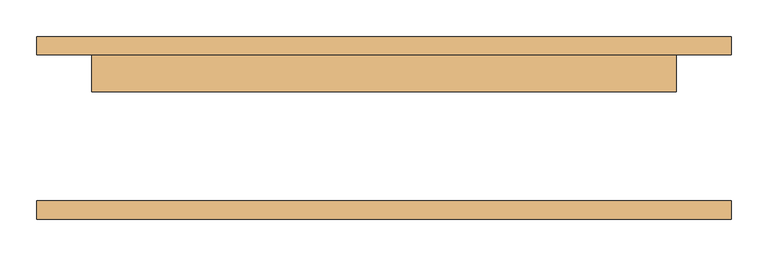
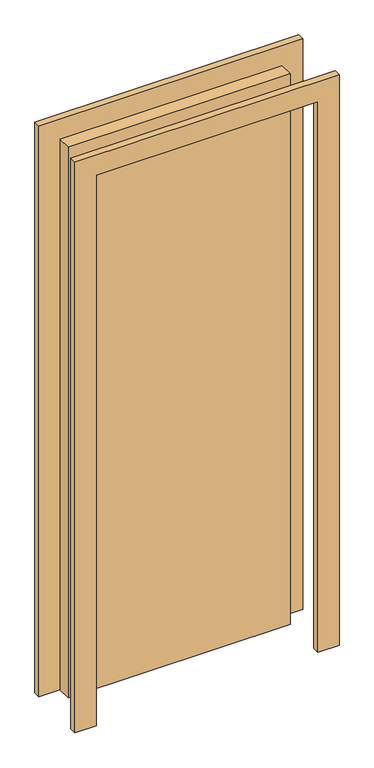
"""IFC4 building model written with IfcOpenShell, lengths in millimetres: door geometry."""

from ifc_helpers import new_model, si_unit, frame, origin, origin_with_axes, place, context, project, spatial, polyline, outline, extrude, source, transform, mapped, element, save


def door_3bf131ec(model_context):
    return source(origin(), model_context, "Body", "SweptSolid", [
        extrude(outline(polyline([(2176.0, -476.0), (0.0, -476.0), (0.0, -400.0), (2100.0, -400.0), (2100.0, 400.0), (0.0, 400.0), (0.0, 476.0), (2176.0, 476.0), (2176.0, -476.0)])), frame((0.0, 100.0, 0.0), z_axis=(0.0, 1.0, 0.0), x_axis=(0.0, 0.0, 1.0)), (0.0, 0.0, 1.0), 25.0),
        extrude(outline(polyline([(2176.0, 476.0), (2176.0, -476.0), (0.0, -476.0), (0.0, -400.0), (2100.0, -400.0), (2100.0, 400.0), (0.0, 400.0), (0.0, 476.0), (2176.0, 476.0)])), frame((0.0, -125.0, 0.0), z_axis=(0.0, 1.0, 0.0), x_axis=(0.0, 0.0, 1.0)), (0.0, 0.0, 1.0), 25.0),
        extrude(outline(polyline([(400.0, 49.0), (-400.0, 49.0), (-400.0, 100.0), (400.0, 100.0), (400.0, 49.0)])), origin_with_axes(), (0.0, 0.0, 1.0), 2100.0),
    ])


if __name__ == "__main__":
    model = new_model("IFC4")
    model_context = context("Model", 3, world=origin())
    ifc_project = project(units=[si_unit("LENGTHUNIT", "METRE", prefix="MILLI")], contexts=[model_context])
    site = spatial("IfcSite", under=ifc_project)
    building = spatial("IfcBuilding", under=site)
    placement = place(None, origin())
    door_shape = door_3bf131ec(model_context)
    element("IfcDoor", 1, at=placement, inside=building, context=model_context, shape_type="MappedRepresentation", body=[
        mapped(door_shape, transform((0.0, 0.0, 0.0), x_axis=(1.0, 0.0, 0.0), y_axis=(0.0, 1.0, 0.0), z_axis=(0.0, 0.0, 1.0))),
    ])
    save(model, "model.ifc")
